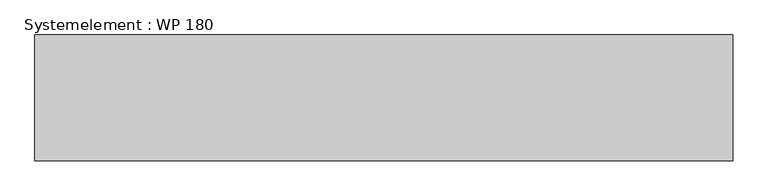
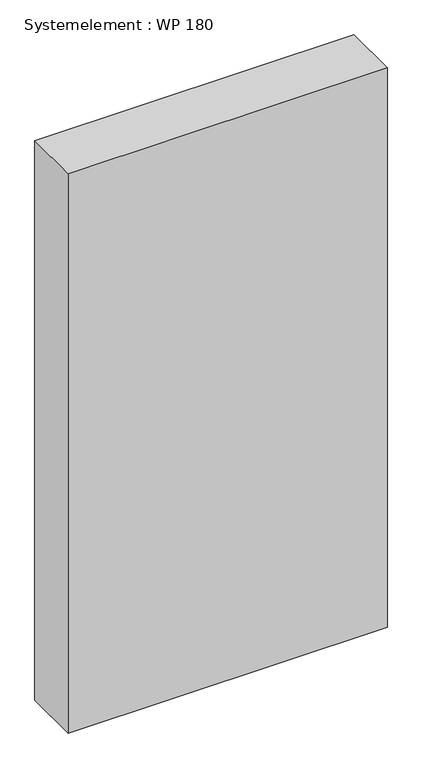
"""IFC4 building model written with IfcOpenShell, lengths in millimetres: plate geometry, Systemelement : WP 180."""

import ifcopenshell
import ifcopenshell.guid

model = None  # the IFC model being written
_history = None  # IfcOwnerHistory: only IFC2X3 demands one
_inside = {}  # id of a spatial element -> (the spatial element, [elements in it])
_under = {}  # id of a project, library or spatial element -> (it, [spatial elements below it])
_declared = {}  # id of a project -> (the project, [libraries it declares])
_typed = {}  # id of a type object -> (the type object, [elements of that type])
_made_of = {}  # id of a material, layer set ... -> (it, [elements and type objects made of it])


def new_model(schema):
    """Start an empty IFC model of exactly this schema.

    Asked for "IFC4X3", IfcOpenShell would pick the latest addendum, in which some entities
    have other attributes; the version numbers below select the first issue.
    IFC2X3 requires an IfcOwnerHistory on every rooted entity: one is made here for all.
    """
    global model, _history
    if schema == "IFC4X3":
        model = ifcopenshell.file(schema_version=(4, 3, 0, 0))
    else:
        model = ifcopenshell.file(schema=schema)
    _inside.clear()
    _under.clear()
    _declared.clear()
    _typed.clear()
    _made_of.clear()
    _history = None
    if model.schema == "IFC2X3":
        org = make("IfcOrganization", Name="unknown")
        user = make(
            "IfcPersonAndOrganization",
            ThePerson=make("IfcPerson", FamilyName="unknown"),
            TheOrganization=org,
        )
        app = make(
            "IfcApplication",
            ApplicationDeveloper=org,
            Version="unknown",
            ApplicationFullName="unknown",
            ApplicationIdentifier="unknown",
        )
        _history = make(
            "IfcOwnerHistory",
            OwningUser=user,
            OwningApplication=app,
            ChangeAction="ADDED",
            CreationDate=0,
        )
    return model


def make(cls, **values):
    """One entity of the class cls with the attributes given. An attribute that is None is left unset."""
    return model.create_entity(
        cls, **{name: value for name, value in values.items() if value is not None}
    )


def rooted(cls, **values):
    """An entity with a GlobalId (a new one), such as an element, a storey or a relation."""
    return make(cls, GlobalId=ifcopenshell.guid.new(), OwnerHistory=_history, **values)


def si_unit(unit_type, name, prefix=None):
    """IfcSIUnit, for example si_unit("LENGTHUNIT", "METRE", prefix="MILLI")."""
    return make("IfcSIUnit", UnitType=unit_type, Prefix=prefix, Name=name)


def assignment(units):
    """IfcUnitAssignment: the units of a project."""
    return None if units is None else make("IfcUnitAssignment", Units=units)


def point(xyz):
    """IfcCartesianPoint."""
    return None if xyz is None else make("IfcCartesianPoint", Coordinates=xyz)


def direction(xyz):
    """IfcDirection."""
    return None if xyz is None else make("IfcDirection", DirectionRatios=xyz)


def frame(location, z_axis=None, x_axis=None):
    """IfcAxis2Placement3D, a coordinate frame: its origin and axes. An axis left out is left unset."""
    return make(
        "IfcAxis2Placement3D",
        Location=point(location),
        Axis=direction(z_axis),
        RefDirection=direction(x_axis),
    )


def origin():
    """The frame at (0, 0, 0) with its axes left unset."""
    return frame((0.0, 0.0, 0.0))


def origin_with_axes():
    """The frame at (0, 0, 0) with the z axis (0, 0, 1) and the x axis (1, 0, 0) written out."""
    return frame((0.0, 0.0, 0.0), z_axis=(0.0, 0.0, 1.0), x_axis=(1.0, 0.0, 0.0))


def place(relative_to, where):
    """IfcLocalPlacement: puts the frame where relative to a parent placement (None: the world)."""
    return make(
        "IfcLocalPlacement", PlacementRelTo=relative_to, RelativePlacement=where
    )


def context(
    kind, dimensions, precision=None, world=None, true_north=None, identifier=None
):
    """IfcGeometricRepresentationContext, for example the 3D "Model" context."""
    return make(
        "IfcGeometricRepresentationContext",
        ContextIdentifier=identifier,
        ContextType=kind,
        CoordinateSpaceDimension=dimensions,
        Precision=precision,
        WorldCoordinateSystem=world,
        TrueNorth=true_north,
    )


def project(units=None, contexts=None):
    """IfcProject with its units and contexts."""
    return rooted(
        "IfcProject",
        Name="project",
        RepresentationContexts=contexts,
        UnitsInContext=assignment(units),
    )


def spatial(cls, under=None, at=None, **own):
    """A site, building, storey or space (cls), placed at a placement, below another one or the project."""
    s = rooted(cls, ObjectPlacement=at, **own)
    if under is not None:
        _under.setdefault(under.id(), (under, []))[1].append(s)
    return s


def polyline(points):
    """IfcPolyline through the points."""
    return make("IfcPolyline", Points=[point(p) for p in points])


def outline(outer, holes=None, kind="AREA"):
    """IfcArbitraryClosedProfileDef: a profile drawn as a closed curve; with holes, ...WithVoids."""
    if holes is None:
        return make("IfcArbitraryClosedProfileDef", ProfileType=kind, OuterCurve=outer)
    return make(
        "IfcArbitraryProfileDefWithVoids",
        ProfileType=kind,
        OuterCurve=outer,
        InnerCurves=holes,
    )


def extrude(swept, where, along, depth):
    """IfcExtrudedAreaSolid: the profile swept, set in the frame where, extruded along a direction by depth."""
    return make(
        "IfcExtrudedAreaSolid",
        SweptArea=swept,
        Position=where,
        ExtrudedDirection=direction(along),
        Depth=depth,
    )


def shape(context_of_items, identifier, shape_type, items):
    """IfcShapeRepresentation: the items that make up one representation, for example the "Body"."""
    return make(
        "IfcShapeRepresentation",
        ContextOfItems=context_of_items,
        RepresentationIdentifier=identifier,
        RepresentationType=shape_type,
        Items=items,
    )


def source(mapping_origin, context_of_items, identifier, shape_type, items):
    """IfcRepresentationMap: a shape defined once, which mapped items show again and again."""
    return make(
        "IfcRepresentationMap",
        MappingOrigin=mapping_origin,
        MappedRepresentation=shape(context_of_items, identifier, shape_type, items),
    )


def transform(
    local_origin,
    x_axis=None,
    y_axis=None,
    z_axis=None,
    scale=None,
    scale2=None,
    scale3=None,
    uniform=True,
):
    """IfcCartesianTransformationOperator3D, or its non-uniform kind. x_axis, y_axis, z_axis: its Axis1, 2, 3."""
    if uniform:
        return make(
            "IfcCartesianTransformationOperator3D",
            Axis1=direction(x_axis),
            Axis2=direction(y_axis),
            LocalOrigin=point(local_origin),
            Scale=scale,
            Axis3=direction(z_axis),
        )
    return make(
        "IfcCartesianTransformationOperator3DnonUniform",
        Axis1=direction(x_axis),
        Axis2=direction(y_axis),
        LocalOrigin=point(local_origin),
        Scale=scale,
        Axis3=direction(z_axis),
        Scale2=scale2,
        Scale3=scale3,
    )


def mapped(mapping_source, mapping_target):
    """IfcMappedItem: shows the shape of a source again, moved by a transform."""
    return make(
        "IfcMappedItem", MappingSource=mapping_source, MappingTarget=mapping_target
    )


def made_of(thing, what):
    """Note that an element or type object is made of a material, layer set ...; save() writes the relation."""
    if what is not None:
        _made_of.setdefault(what.id(), (what, []))[1].append(thing)
    return thing


def element(
    cls,
    number,
    at=None,
    inside=None,
    cuts=None,
    type_object=None,
    material=None,
    context=None,
    identifier="Body",
    shape_type=None,
    held_by="IfcProductDefinitionShape",
    body=None,
    shapes=None,
    **own,
):
    """One element of the class cls, such as IfcWall. Its Tag is "e" and its number.

    at: its placement. inside: the storey or other place that contains it. cuts: it is an
    opening in that element (IfcRelVoidsElement). A single representation is given by context,
    identifier, shape_type and body (its items); several are given by shapes. held_by: the class
    of the entity that holds the representations. save() writes the other relations.
    """
    e = rooted(cls, Tag="e%d" % number, ObjectPlacement=at, **own)
    if body is not None:
        shapes = [shape(context, identifier, shape_type, body)]
    if shapes is not None:
        e.Representation = make(held_by, Representations=shapes)
    if inside is not None:
        _inside.setdefault(inside.id(), (inside, []))[1].append(e)
    if cuts is not None:
        rooted(
            "IfcRelVoidsElement", RelatingBuildingElement=cuts, RelatedOpeningElement=e
        )
    if type_object is not None:
        _typed.setdefault(type_object.id(), (type_object, []))[1].append(e)
    return made_of(e, material)


def aggregate(whole, parts):
    """IfcRelAggregates: a whole, such as a stair, and the parts it consists of."""
    return rooted("IfcRelAggregates", RelatingObject=whole, RelatedObjects=parts)


def save(model, path):
    """Write the relations noted so far, then the file.

    IfcRelAggregates (storeys below a building ...), IfcRelContainedInSpatialStructure (elements
    in a storey), IfcRelDefinesByType, IfcRelAssociatesMaterial and IfcRelDeclares: one each for
    every whole, place, type object, material and project.
    """
    for whole, parts in _under.values():
        aggregate(whole, parts)
    for where, things in _inside.values():
        rooted(
            "IfcRelContainedInSpatialStructure",
            RelatedElements=things,
            RelatingStructure=where,
        )
    for kind, things in _typed.values():
        rooted("IfcRelDefinesByType", RelatedObjects=things, RelatingType=kind)
    for what, things in _made_of.values():
        rooted("IfcRelAssociatesMaterial", RelatedObjects=things, RelatingMaterial=what)
    for by, libraries in _declared.values():
        rooted("IfcRelDeclares", RelatingContext=by, RelatedDefinitions=libraries)
    model.write(path)


def systemelement_wp_180_7357105e(model_context):
    return source(origin(), model_context, "Body", "SweptSolid", [
        extrude(outline(polyline([(500.0, -180.0), (-500.0, -180.0), (-500.0, 0.0), (500.0, 0.0), (500.0, -180.0)])), origin_with_axes(), (0.0, 0.0, 1.0), 1851.6147161),
    ])


if __name__ == "__main__":
    model = new_model("IFC4")
    model_context = context("Model", 3, world=origin())
    ifc_project = project(units=[si_unit("LENGTHUNIT", "METRE", prefix="MILLI")], contexts=[model_context])
    site = spatial("IfcSite", under=ifc_project)
    building = spatial("IfcBuilding", under=site)
    placement = place(None, origin())
    systemelement_wp_180_shape = systemelement_wp_180_7357105e(model_context)
    element("IfcPlate", 1, ObjectType="Systemelement : WP 180", at=placement, inside=building, context=model_context, shape_type="MappedRepresentation", body=[
        mapped(systemelement_wp_180_shape, transform((0.0, 0.0, 0.0), x_axis=(1.0, 0.0, 0.0), y_axis=(0.0, 1.0, 0.0), z_axis=(0.0, 0.0, 1.0))),
    ])
    save(model, "model.ifc")
